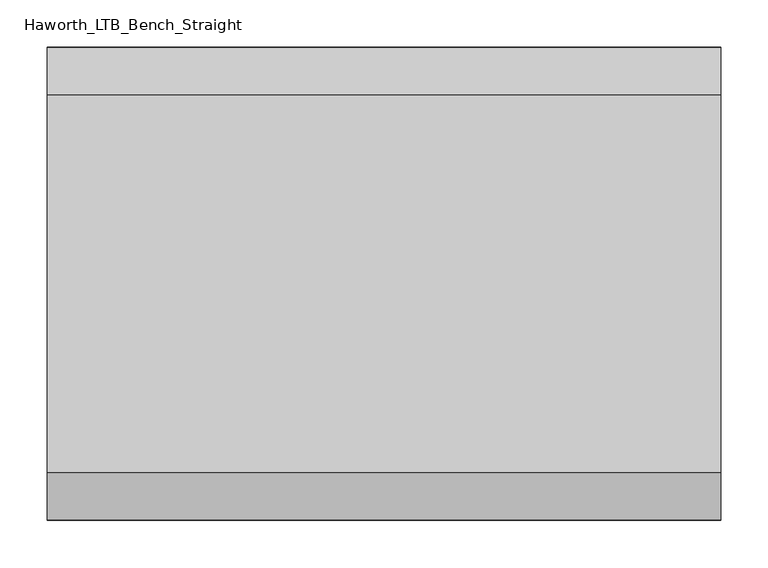
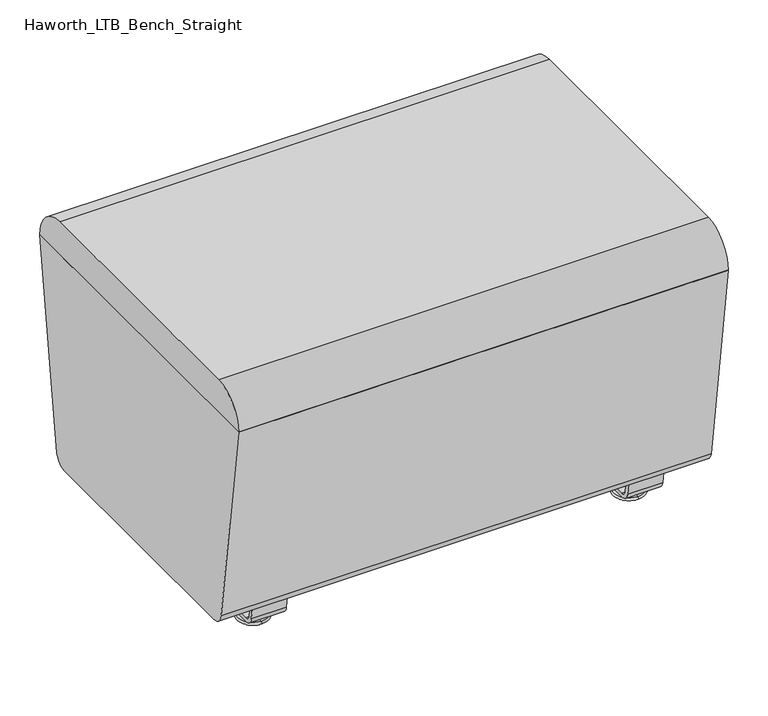
"""IFC4 building model written with IfcOpenShell, lengths in millimetres: furniture geometry, Haworth_LTB_Bench_Straight."""

from ifc_helpers import new_model, si_unit, point, frame, frame_2d, origin, place, context, project, spatial, polyline, circle_curve, ellipse_curve, trimmed, segment, composite_curve, outline, extrude, source, transform, mapped, element, save
from ifc_brep_helpers import plane_surface, cylinder_surface, revolved_surface, advanced_brep


def haworth_ltb_bench_straight_cf0ec3e6(model_context):
    return source(origin(), model_context, "Body", "SolidModel", [
        advanced_brep(
        [(273.1045358, -134.8425052, 7.8133431), (273.1045358, -150.8355515, 7.8133431), (273.1045358, -147.6015284, 7.8133431), (273.1045358, -138.0765284, 7.8133431), (273.1045358, -120.9001513, 4.0775), (273.1045358, -164.7779054, 4.0775), (273.1045358, -121.3107026, 0.0), (273.1045358, -164.3673542, 0.0), (273.1045358, -142.8390284, 0.0), (273.1045358, -138.0765284, 50.0000004), (273.1045358, -147.6015284, 50.0000004), (273.1045358, -142.8390284, 50.0000004)],
        [
            (0, 1, circle_curve(frame((273.1045358, -142.8390284, 7.8133431), z_axis=(0.0, 0.0, 1.0), x_axis=(0.0, -1.0, 0.0)), 7.9965232)),
            (1, 2),
            (2, 3, circle_curve(frame((273.1045358, -142.8390284, 7.8133431), z_axis=(0.0, 0.0, -1.0), x_axis=(0.0, -1.0, 0.0)), 4.7625)),
            (3, 0),
            (1, 0, circle_curve(frame((273.1045358, -142.8390284, 7.8133431), z_axis=(0.0, 0.0, 1.0), x_axis=(0.0, -1.0, 0.0)), 7.9965232)),
            (3, 2, circle_curve(frame((273.1045358, -142.8390284, 7.8133431), z_axis=(0.0, 0.0, -1.0), x_axis=(0.0, -1.0, 0.0)), 4.7625)),
            (4, 5, circle_curve(frame((273.1045358, -142.8390284, 4.0775), z_axis=(0.0, 0.0, 1.0), x_axis=(0.0, -1.0, 0.0)), 21.9388771)),
            (5, 1),
            (0, 4),
            (5, 4, circle_curve(frame((273.1045358, -142.8390284, 4.0775), z_axis=(0.0, 0.0, 1.0), x_axis=(0.0, -1.0, 0.0)), 21.9388771)),
            (6, 7, circle_curve(frame((273.1045358, -142.8390284, 0.0), z_axis=(0.0, 0.0, 1.0), x_axis=(0.0, -1.0, 0.0)), 21.5283258)),
            (7, 5, circle_curve(frame((273.1045358, -164.2405822, 2.0721829), z_axis=(-1.0, 0.0, 0.0), x_axis=(0.0, 1.0, 0.0)), 2.0760571)),
            (4, 6, circle_curve(frame((273.1045358, -121.4374745, 2.0721829), z_axis=(-1.0, 0.0, 0.0), x_axis=(0.0, -1.0, 0.0)), 2.0760571)),
            (7, 6, circle_curve(frame((273.1045358, -142.8390284, 0.0), z_axis=(0.0, 0.0, 1.0), x_axis=(0.0, -1.0, 0.0)), 21.5283258)),
            (8, 7),
            (6, 8),
            (9, 10, circle_curve(frame((273.1045358, -142.8390284, 50.0000004), z_axis=(0.0, 0.0, 1.0), x_axis=(0.0, -1.0, 0.0)), 4.7625)),
            (10, 11),
            (11, 9),
            (10, 9, circle_curve(frame((273.1045358, -142.8390284, 50.0000004), z_axis=(0.0, 0.0, 1.0), x_axis=(0.0, -1.0, 0.0)), 4.7625)),
            (2, 10),
            (9, 3),
        ],
        [
            plane_surface(frame((273.1045358, -142.8390284, 7.8133431), z_axis=(0.0, 0.0, 1.0), x_axis=(0.0, -1.0, 0.0))),
            revolved_surface(polyline([(273.1045358, -150.8355515, 7.8133431), (273.1045358, -164.7779054, 4.0775)]), (273.1045358, -142.8390284, 0.0), (0.0, 0.0, -1.0)),
            revolved_surface(trimmed(ellipse_curve(frame((273.1045358, -164.2405822, 2.0721829), z_axis=(1.0, 0.0, 0.0), x_axis=(0.0, 1.0, 0.0)), 2.0760571, 2.0760571), [point((273.1045358, -164.7779054, 4.0775))], [point((273.1045358, -164.3673542, 0.0))], True, "CARTESIAN"), (273.1045358, -142.8390284, 0.0), (0.0, 0.0, -1.0)),
            plane_surface(frame((273.1045358, -142.8390284, 0.0), z_axis=(0.0, 0.0, -1.0), x_axis=(0.0, -1.0, 0.0))),
            plane_surface(frame((273.1045358, -142.8390284, 50.0000004), z_axis=(0.0, 0.0, 1.0), x_axis=(0.0, -1.0, 0.0))),
            cylinder_surface(frame((273.1045358, -142.8390284, 0.0), z_axis=(0.0, 0.0, -1.0), x_axis=(0.0, -1.0, 0.0)), 4.7625),
        ],
        [
            (0, [[1, 2, 3, 4]]),
            (0, [[5, -4, 6, -2]]),
            (1, [[7, 8, -1, 9]]),
            (1, [[10, -9, -5, -8]]),
            (2, [[11, 12, -7, 13]]),
            (2, [[14, -13, -10, -12]]),
            (3, [[15, -11, 16]]),
            (3, [[-16, -14, -15]]),
            (4, [[17, 18, 19]]),
            (4, [[20, -19, -18]]),
            (5, [[-3, 21, -17, 22]]),
            (5, [[-6, -22, -20, -21]]),
        ],
    ),
        advanced_brep(
        [(273.1045358, 138.0765284, 7.8133431), (273.1045358, 147.6015284, 7.8133431), (273.1045358, 150.8355515, 7.8133431), (273.1045358, 134.8425052, 7.8133431), (273.1045358, 164.7779054, 4.0775), (273.1045358, 120.9001513, 4.0775), (273.1045358, 164.3673542, 0.0), (273.1045358, 121.3107026, 0.0), (273.1045358, 142.8390284, 0.0), (273.1045358, 142.8390284, 50.0000004), (273.1045358, 147.6015284, 50.0000004), (273.1045358, 138.0765284, 50.0000004)],
        [
            (0, 1, circle_curve(frame((273.1045358, 142.8390284, 7.8133431), z_axis=(0.0, 0.0, -1.0), x_axis=(0.0, 1.0, 0.0)), 4.7625)),
            (1, 2),
            (2, 3, circle_curve(frame((273.1045358, 142.8390284, 7.8133431), z_axis=(0.0, 0.0, 1.0), x_axis=(0.0, 1.0, 0.0)), 7.9965232)),
            (3, 0),
            (1, 0, circle_curve(frame((273.1045358, 142.8390284, 7.8133431), z_axis=(0.0, 0.0, -1.0), x_axis=(0.0, 1.0, 0.0)), 4.7625)),
            (3, 2, circle_curve(frame((273.1045358, 142.8390284, 7.8133431), z_axis=(0.0, 0.0, 1.0), x_axis=(0.0, 1.0, 0.0)), 7.9965232)),
            (2, 4),
            (4, 5, circle_curve(frame((273.1045358, 142.8390284, 4.0775), z_axis=(0.0, 0.0, 1.0), x_axis=(0.0, 1.0, 0.0)), 21.9388771)),
            (5, 3),
            (5, 4, circle_curve(frame((273.1045358, 142.8390284, 4.0775), z_axis=(0.0, 0.0, 1.0), x_axis=(0.0, 1.0, 0.0)), 21.9388771)),
            (4, 6, circle_curve(frame((273.1045358, 164.2405822, 2.0721829), z_axis=(-1.0, 0.0, 0.0), x_axis=(0.0, -1.0, 0.0)), 2.0760571)),
            (6, 7, circle_curve(frame((273.1045358, 142.8390284, 0.0), z_axis=(0.0, 0.0, 1.0), x_axis=(0.0, 1.0, 0.0)), 21.5283258)),
            (7, 5, circle_curve(frame((273.1045358, 121.4374745, 2.0721829), z_axis=(-1.0, 0.0, 0.0), x_axis=(0.0, 1.0, 0.0)), 2.0760571)),
            (7, 6, circle_curve(frame((273.1045358, 142.8390284, 0.0), z_axis=(0.0, 0.0, 1.0), x_axis=(0.0, 1.0, 0.0)), 21.5283258)),
            (6, 8),
            (8, 7),
            (9, 10),
            (10, 11, circle_curve(frame((273.1045358, 142.8390284, 50.0000004), z_axis=(0.0, 0.0, 1.0), x_axis=(0.0, 1.0, 0.0)), 4.7625)),
            (11, 9),
            (11, 10, circle_curve(frame((273.1045358, 142.8390284, 50.0000004), z_axis=(0.0, 0.0, 1.0), x_axis=(0.0, 1.0, 0.0)), 4.7625)),
            (10, 1),
            (0, 11),
        ],
        [
            plane_surface(frame((273.1045358, 142.8390284, 7.8133431), z_axis=(0.0, 0.0, 1.0), x_axis=(0.0, 1.0, 0.0))),
            revolved_surface(polyline([(273.1045358, 164.7779054, 4.0775), (273.1045358, 150.8355515, 7.8133431)]), (273.1045358, 142.8390284, 0.0), (0.0, 0.0, 1.0)),
            revolved_surface(trimmed(ellipse_curve(frame((273.1045358, 164.2405822, 2.0721829), z_axis=(1.0, 0.0, 0.0), x_axis=(0.0, -1.0, 0.0)), 2.0760571, 2.0760571), [point((273.1045358, 164.3673542, 0.0))], [point((273.1045358, 164.7779054, 4.0775))], True, "CARTESIAN"), (273.1045358, 142.8390284, 0.0), (0.0, 0.0, 1.0)),
            plane_surface(frame((273.1045358, 142.8390284, 0.0), z_axis=(0.0, 0.0, -1.0), x_axis=(0.0, 1.0, 0.0))),
            plane_surface(frame((273.1045358, 142.8390284, 50.0000004), z_axis=(0.0, 0.0, 1.0), x_axis=(0.0, 1.0, 0.0))),
            cylinder_surface(frame((273.1045358, 142.8390284, 0.0), z_axis=(0.0, 0.0, 1.0), x_axis=(0.0, 1.0, 0.0)), 4.7625),
        ],
        [
            (0, [[1, 2, 3, 4]]),
            (0, [[5, -4, 6, -2]]),
            (1, [[-3, 7, 8, 9]]),
            (1, [[-6, -9, 10, -7]]),
            (2, [[-8, 11, 12, 13]]),
            (2, [[-10, -13, 14, -11]]),
            (3, [[-12, 15, 16]]),
            (3, [[-14, -16, -15]]),
            (4, [[17, 18, 19]]),
            (4, [[-19, 20, -17]]),
            (5, [[-18, 21, -1, 22]]),
            (5, [[-20, -22, -5, -21]]),
        ],
    ),
        extrude(outline(composite_curve([segment(polyline([(188.6158944, 62.9950557), (183.6853496, 27.9124042)]), True, "CONTINUOUS"), segment(trimmed(circle_curve(frame_2d((168.8313276, 30.0000007)), 15.000001), [point((183.6853496, 27.9124042))], [point((168.8313276, 14.9999997))], False, "CARTESIAN"), True, "CONTINUOUS"), segment(polyline([(168.8313276, 14.9999997), (-168.8313276, 14.9999997)]), True, "CONTINUOUS"), segment(trimmed(circle_curve(frame_2d((-168.8313276, 30.0000007)), 15.000001), [point((-168.8313276, 14.9999997))], [point((-183.6853496, 27.9124042))], False, "CARTESIAN"), True, "CONTINUOUS"), segment(polyline([(-183.6853496, 27.9124042), (-188.6158944, 62.9950557), (-182.9812615, 63.7869505), (-178.0507241, 28.7043023)]), True, "CONTINUOUS"), segment(trimmed(circle_curve(frame_2d((-168.8313262, 30.0000023)), 9.310002), [point((-178.0507241, 28.7043023))], [point((-168.8313262, 20.6900003))], True, "CARTESIAN"), True, "CONTINUOUS"), segment(polyline([(-168.8313262, 20.6900003), (168.8313262, 20.6900003)]), True, "CONTINUOUS"), segment(trimmed(circle_curve(frame_2d((168.8313262, 30.0000023)), 9.310002), [point((168.8313262, 20.6900003))], [point((178.0507241, 28.7043023))], True, "CARTESIAN"), True, "CONTINUOUS"), segment(polyline([(178.0507241, 28.7043023), (182.9812615, 63.7869505), (188.6158944, 62.9950557)]), True, "CONTINUOUS")], self_intersect=False)), frame((247.7045358, 0.0, 0.0), z_axis=(1.0, 0.0, 0.0), x_axis=(0.0, 1.0, 0.0)), (0.0, 0.0, 1.0), 50.8),
        advanced_brep(
        [(-273.1045358, -138.0765284, 7.8133431), (-273.1045358, -147.6015284, 7.8133431), (-273.1045358, -150.8355515, 7.8133431), (-273.1045358, -134.8425052, 7.8133431), (-273.1045358, -164.7779054, 4.0775), (-273.1045358, -120.9001513, 4.0775), (-273.1045358, -164.3673542, 0.0), (-273.1045358, -121.3107026, 0.0), (-273.1045358, -142.8390284, 0.0), (-273.1045358, -142.8390284, 50.0000004), (-273.1045358, -147.6015284, 50.0000004), (-273.1045358, -138.0765284, 50.0000004)],
        [
            (0, 1, circle_curve(frame((-273.1045358, -142.8390284, 7.8133431), z_axis=(0.0, 0.0, -1.0), x_axis=(0.0, -1.0, 0.0)), 4.7625)),
            (1, 2),
            (2, 3, circle_curve(frame((-273.1045358, -142.8390284, 7.8133431), z_axis=(0.0, 0.0, 1.0), x_axis=(0.0, -1.0, 0.0)), 7.9965232)),
            (3, 0),
            (1, 0, circle_curve(frame((-273.1045358, -142.8390284, 7.8133431), z_axis=(0.0, 0.0, -1.0), x_axis=(0.0, -1.0, 0.0)), 4.7625)),
            (3, 2, circle_curve(frame((-273.1045358, -142.8390284, 7.8133431), z_axis=(0.0, 0.0, 1.0), x_axis=(0.0, -1.0, 0.0)), 7.9965232)),
            (2, 4),
            (4, 5, circle_curve(frame((-273.1045358, -142.8390284, 4.0775), z_axis=(0.0, 0.0, 1.0), x_axis=(0.0, -1.0, 0.0)), 21.9388771)),
            (5, 3),
            (5, 4, circle_curve(frame((-273.1045358, -142.8390284, 4.0775), z_axis=(0.0, 0.0, 1.0), x_axis=(0.0, -1.0, 0.0)), 21.9388771)),
            (4, 6, circle_curve(frame((-273.1045358, -164.2405822, 2.0721829), z_axis=(1.0, 0.0, 0.0), x_axis=(0.0, 1.0, 0.0)), 2.0760571)),
            (6, 7, circle_curve(frame((-273.1045358, -142.8390284, 0.0), z_axis=(0.0, 0.0, 1.0), x_axis=(0.0, -1.0, 0.0)), 21.5283258)),
            (7, 5, circle_curve(frame((-273.1045358, -121.4374745, 2.0721829), z_axis=(1.0, 0.0, 0.0), x_axis=(0.0, -1.0, 0.0)), 2.0760571)),
            (7, 6, circle_curve(frame((-273.1045358, -142.8390284, 0.0), z_axis=(0.0, 0.0, 1.0), x_axis=(0.0, -1.0, 0.0)), 21.5283258)),
            (6, 8),
            (8, 7),
            (9, 10),
            (10, 11, circle_curve(frame((-273.1045358, -142.8390284, 50.0000004), z_axis=(0.0, 0.0, 1.0), x_axis=(0.0, -1.0, 0.0)), 4.7625)),
            (11, 9),
            (11, 10, circle_curve(frame((-273.1045358, -142.8390284, 50.0000004), z_axis=(0.0, 0.0, 1.0), x_axis=(0.0, -1.0, 0.0)), 4.7625)),
            (10, 1),
            (0, 11),
        ],
        [
            plane_surface(frame((-273.1045358, -142.8390284, 7.8133431), z_axis=(0.0, 0.0, 1.0), x_axis=(0.0, -1.0, 0.0))),
            revolved_surface(polyline([(-273.1045358, -164.7779054, 4.0775), (-273.1045358, -150.8355515, 7.8133431)]), (-273.1045358, -142.8390284, 0.0), (0.0, 0.0, 1.0)),
            revolved_surface(trimmed(ellipse_curve(frame((-273.1045358, -164.2405822, 2.0721829), z_axis=(-1.0, 0.0, 0.0), x_axis=(0.0, 1.0, 0.0)), 2.0760571, 2.0760571), [point((-273.1045358, -164.3673542, 0.0))], [point((-273.1045358, -164.7779054, 4.0775))], True, "CARTESIAN"), (-273.1045358, -142.8390284, 0.0), (0.0, 0.0, 1.0)),
            plane_surface(frame((-273.1045358, -142.8390284, 0.0), z_axis=(0.0, 0.0, -1.0), x_axis=(0.0, -1.0, 0.0))),
            plane_surface(frame((-273.1045358, -142.8390284, 50.0000004), z_axis=(0.0, 0.0, 1.0), x_axis=(0.0, -1.0, 0.0))),
            cylinder_surface(frame((-273.1045358, -142.8390284, 0.0), z_axis=(0.0, 0.0, 1.0), x_axis=(0.0, -1.0, 0.0)), 4.7625),
        ],
        [
            (0, [[1, 2, 3, 4]]),
            (0, [[5, -4, 6, -2]]),
            (1, [[-3, 7, 8, 9]]),
            (1, [[-6, -9, 10, -7]]),
            (2, [[-8, 11, 12, 13]]),
            (2, [[-10, -13, 14, -11]]),
            (3, [[-12, 15, 16]]),
            (3, [[-14, -16, -15]]),
            (4, [[17, 18, 19]]),
            (4, [[-19, 20, -17]]),
            (5, [[-18, 21, -1, 22]]),
            (5, [[-20, -22, -5, -21]]),
        ],
    ),
        advanced_brep(
        [(-273.1045358, 134.8425052, 7.8133431), (-273.1045358, 150.8355515, 7.8133431), (-273.1045358, 147.6015284, 7.8133431), (-273.1045358, 138.0765284, 7.8133431), (-273.1045358, 120.9001513, 4.0775), (-273.1045358, 164.7779054, 4.0775), (-273.1045358, 121.3107026, 0.0), (-273.1045358, 164.3673542, 0.0), (-273.1045358, 142.8390284, 0.0), (-273.1045358, 138.0765284, 50.0000004), (-273.1045358, 147.6015284, 50.0000004), (-273.1045358, 142.8390284, 50.0000004)],
        [
            (0, 1, circle_curve(frame((-273.1045358, 142.8390284, 7.8133431), z_axis=(0.0, 0.0, 1.0), x_axis=(0.0, 1.0, 0.0)), 7.9965232)),
            (1, 2),
            (2, 3, circle_curve(frame((-273.1045358, 142.8390284, 7.8133431), z_axis=(0.0, 0.0, -1.0), x_axis=(0.0, 1.0, 0.0)), 4.7625)),
            (3, 0),
            (1, 0, circle_curve(frame((-273.1045358, 142.8390284, 7.8133431), z_axis=(0.0, 0.0, 1.0), x_axis=(0.0, 1.0, 0.0)), 7.9965232)),
            (3, 2, circle_curve(frame((-273.1045358, 142.8390284, 7.8133431), z_axis=(0.0, 0.0, -1.0), x_axis=(0.0, 1.0, 0.0)), 4.7625)),
            (4, 5, circle_curve(frame((-273.1045358, 142.8390284, 4.0775), z_axis=(0.0, 0.0, 1.0), x_axis=(0.0, 1.0, 0.0)), 21.9388771)),
            (5, 1),
            (0, 4),
            (5, 4, circle_curve(frame((-273.1045358, 142.8390284, 4.0775), z_axis=(0.0, 0.0, 1.0), x_axis=(0.0, 1.0, 0.0)), 21.9388771)),
            (6, 7, circle_curve(frame((-273.1045358, 142.8390284, 0.0), z_axis=(0.0, 0.0, 1.0), x_axis=(0.0, 1.0, 0.0)), 21.5283258)),
            (7, 5, circle_curve(frame((-273.1045358, 164.2405822, 2.0721829), z_axis=(1.0, 0.0, 0.0), x_axis=(0.0, -1.0, 0.0)), 2.0760571)),
            (4, 6, circle_curve(frame((-273.1045358, 121.4374745, 2.0721829), z_axis=(1.0, 0.0, 0.0), x_axis=(0.0, 1.0, 0.0)), 2.0760571)),
            (7, 6, circle_curve(frame((-273.1045358, 142.8390284, 0.0), z_axis=(0.0, 0.0, 1.0), x_axis=(0.0, 1.0, 0.0)), 21.5283258)),
            (8, 7),
            (6, 8),
            (9, 10, circle_curve(frame((-273.1045358, 142.8390284, 50.0000004), z_axis=(0.0, 0.0, 1.0), x_axis=(0.0, 1.0, 0.0)), 4.7625)),
            (10, 11),
            (11, 9),
            (10, 9, circle_curve(frame((-273.1045358, 142.8390284, 50.0000004), z_axis=(0.0, 0.0, 1.0), x_axis=(0.0, 1.0, 0.0)), 4.7625)),
            (2, 10),
            (9, 3),
        ],
        [
            plane_surface(frame((-273.1045358, 142.8390284, 7.8133431), z_axis=(0.0, 0.0, 1.0), x_axis=(0.0, 1.0, 0.0))),
            revolved_surface(polyline([(-273.1045358, 150.8355515, 7.8133431), (-273.1045358, 164.7779054, 4.0775)]), (-273.1045358, 142.8390284, 0.0), (0.0, 0.0, -1.0)),
            revolved_surface(trimmed(ellipse_curve(frame((-273.1045358, 164.2405822, 2.0721829), z_axis=(-1.0, 0.0, 0.0), x_axis=(0.0, -1.0, 0.0)), 2.0760571, 2.0760571), [point((-273.1045358, 164.7779054, 4.0775))], [point((-273.1045358, 164.3673542, 0.0))], True, "CARTESIAN"), (-273.1045358, 142.8390284, 0.0), (0.0, 0.0, -1.0)),
            plane_surface(frame((-273.1045358, 142.8390284, 0.0), z_axis=(0.0, 0.0, -1.0), x_axis=(0.0, 1.0, 0.0))),
            plane_surface(frame((-273.1045358, 142.8390284, 50.0000004), z_axis=(0.0, 0.0, 1.0), x_axis=(0.0, 1.0, 0.0))),
            cylinder_surface(frame((-273.1045358, 142.8390284, 0.0), z_axis=(0.0, 0.0, -1.0), x_axis=(0.0, 1.0, 0.0)), 4.7625),
        ],
        [
            (0, [[1, 2, 3, 4]]),
            (0, [[5, -4, 6, -2]]),
            (1, [[7, 8, -1, 9]]),
            (1, [[10, -9, -5, -8]]),
            (2, [[11, 12, -7, 13]]),
            (2, [[14, -13, -10, -12]]),
            (3, [[15, -11, 16]]),
            (3, [[-16, -14, -15]]),
            (4, [[17, 18, 19]]),
            (4, [[20, -19, -18]]),
            (5, [[-3, 21, -17, 22]]),
            (5, [[-6, -22, -20, -21]]),
        ],
    ),
        extrude(outline(composite_curve([segment(polyline([(188.6158944, 62.9950557), (183.6853496, 27.9124042)]), True, "CONTINUOUS"), segment(trimmed(circle_curve(frame_2d((168.8313276, 30.0000007)), 15.000001), [point((183.6853496, 27.9124042))], [point((168.8313276, 14.9999997))], False, "CARTESIAN"), True, "CONTINUOUS"), segment(polyline([(168.8313276, 14.9999997), (-168.8313276, 14.9999997)]), True, "CONTINUOUS"), segment(trimmed(circle_curve(frame_2d((-168.8313276, 30.0000007)), 15.000001), [point((-168.8313276, 14.9999997))], [point((-183.6853496, 27.9124042))], False, "CARTESIAN"), True, "CONTINUOUS"), segment(polyline([(-183.6853496, 27.9124042), (-188.6158944, 62.9950557), (-182.9812615, 63.7869505), (-178.0507241, 28.7043023)]), True, "CONTINUOUS"), segment(trimmed(circle_curve(frame_2d((-168.8313262, 30.0000023)), 9.310002), [point((-178.0507241, 28.7043023))], [point((-168.8313262, 20.6900003))], True, "CARTESIAN"), True, "CONTINUOUS"), segment(polyline([(-168.8313262, 20.6900003), (168.8313262, 20.6900003)]), True, "CONTINUOUS"), segment(trimmed(circle_curve(frame_2d((168.8313262, 30.0000023)), 9.310002), [point((168.8313262, 20.6900003))], [point((178.0507241, 28.7043023))], True, "CARTESIAN"), True, "CONTINUOUS"), segment(polyline([(178.0507241, 28.7043023), (182.9812615, 63.7869505), (188.6158944, 62.9950557)]), True, "CONTINUOUS")], self_intersect=False)), frame((-298.5045358, 0.0, 0.0), z_axis=(1.0, 0.0, 0.0), x_axis=(0.0, 1.0, 0.0)), (0.0, 0.0, 1.0), 50.8),
        extrude(outline(composite_curve([segment(trimmed(circle_curve(frame_2d((187.8390314, 68.9999996)), 18.9999992), [point((206.6541239, 66.3557108))], [point((187.8390314, 50.0000004))], False, "CARTESIAN"), True, "CONTINUOUS"), segment(polyline([(187.8390314, 50.0000004), (-187.8390314, 50.0000004)]), True, "CONTINUOUS"), segment(trimmed(circle_curve(frame_2d((-187.8390314, 68.9999996)), 18.9999992), [point((-187.8390314, 50.0000004))], [point((-206.6541239, 66.3557108))], False, "CARTESIAN"), True, "CONTINUOUS"), segment(polyline([(-206.6541239, 66.3557108), (-249.9820603, 374.65), (249.9820603, 374.65), (206.6541239, 66.3557108)]), True, "CONTINUOUS")], self_intersect=False)), frame((-355.6, 0.0, 0.0), z_axis=(1.0, 0.0, 0.0), x_axis=(0.0, 1.0, 0.0)), (0.0, 0.0, 1.0), 711.2),
        extrude(outline(composite_curve([segment(trimmed(circle_curve(frame_2d((200.0364582, 375.0527774)), 49.9472261), [point((200.0364582, 425.0000035))], [point((249.9820603, 374.65))], False, "CARTESIAN"), True, "CONTINUOUS"), segment(polyline([(249.9820603, 374.65), (-249.9820603, 374.65)]), True, "CONTINUOUS"), segment(trimmed(circle_curve(frame_2d((-200.0364582, 375.0527774)), 49.9472261), [point((-249.9820603, 374.65))], [point((-200.0364582, 425.0000035))], False, "CARTESIAN"), True, "CONTINUOUS"), segment(polyline([(-200.0364582, 425.0000035), (200.0364582, 425.0000035)]), True, "CONTINUOUS")], self_intersect=False)), frame((-355.6, 0.0, 0.0), z_axis=(1.0, 0.0, 0.0), x_axis=(0.0, 1.0, 0.0)), (0.0, 0.0, 1.0), 711.2),
    ])


if __name__ == "__main__":
    model = new_model("IFC4")
    model_context = context("Model", 3, world=origin())
    ifc_project = project(units=[si_unit("LENGTHUNIT", "METRE", prefix="MILLI")], contexts=[model_context])
    site = spatial("IfcSite", under=ifc_project)
    building = spatial("IfcBuilding", under=site)
    placement = place(None, origin())
    haworth_ltb_bench_straight_shape = haworth_ltb_bench_straight_cf0ec3e6(model_context)
    element("IfcFurniture", 1, ObjectType="Haworth_LTB_Bench_Straight", at=placement, inside=building, context=model_context, shape_type="MappedRepresentation", body=[
        mapped(haworth_ltb_bench_straight_shape, transform((0.0, 0.0, 0.0), x_axis=(1.0, 0.0, 0.0), y_axis=(0.0, 1.0, 0.0), z_axis=(0.0, 0.0, 1.0))),
    ])
    save(model, "model.ifc")
